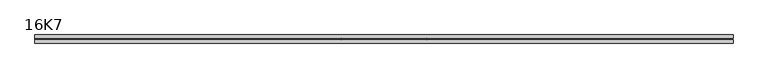
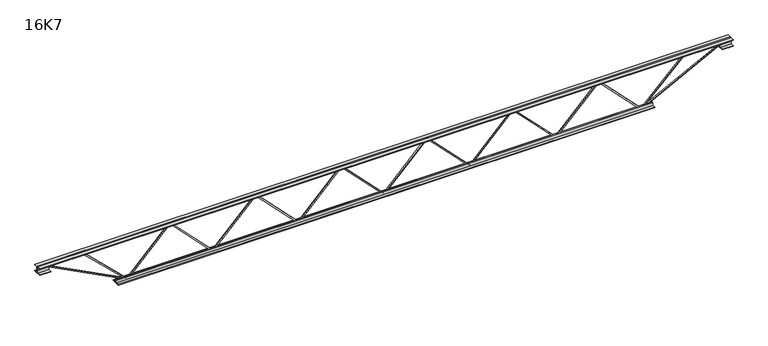
"""IFC4 building model written with IfcOpenShell, lengths in millimetres: beam geometry, 16K7."""

from ifc_helpers import new_model, si_unit, frame, origin, place, context, project, spatial, polyline, outline, extrude, source, transform, mapped, element, save


def beam_16k7_3e759f1d(model_context):
    return source(origin(), model_context, "Body", "SweptSolid", [
        extrude(outline(polyline([(-191.9, 777.3333333), (-201.4, 777.3333333), (-201.4, 782.5153638), (191.9, 1164.8320305), (191.9, 1167.1679695), (-201.4, 1549.4846362), (-201.4, 1554.6666667), (-191.9, 1554.6666667), (-191.9, 1553.4986972), (201.4, 1171.1820305), (201.4, 1160.8179695), (-191.9, 778.5013028), (-191.9, 777.3333333)])), frame((0.0, -4.75, 0.0), z_axis=(0.0, 1.0, 0.0), x_axis=(0.0, 0.0, 1.0)), (0.0, 0.0, 1.0), 9.5),
        extrude(outline(polyline([(-191.9, 0.0), (-201.4, 0.0), (-201.4, 5.1820305), (191.9, 387.4986972), (191.9, 389.8346362), (-201.4, 772.1513028), (-201.4, 777.3333333), (-191.9, 777.3333333), (-191.9, 776.1653638), (201.4, 393.8486972), (201.4, 383.4846362), (-191.9, 1.1679695), (-191.9, 0.0)])), frame((0.0, -4.75, 0.0), z_axis=(0.0, 1.0, 0.0), x_axis=(0.0, 0.0, 1.0)), (0.0, 0.0, 1.0), 9.5),
        extrude(outline(polyline([(-191.9, -777.3333333), (-201.4, -777.3333333), (-201.4, -772.1513028), (191.9, -389.8346362), (191.9, -387.4986972), (-201.4, -5.1820305), (-201.4, 0.0), (-191.9, 0.0), (-191.9, -1.1679695), (201.4, -383.4846362), (201.4, -393.8486972), (-191.9, -776.1653638), (-191.9, -777.3333333)])), frame((0.0, -4.75, 0.0), z_axis=(0.0, 1.0, 0.0), x_axis=(0.0, 0.0, 1.0)), (0.0, 0.0, 1.0), 9.5),
        extrude(outline(polyline([(-191.9, -1554.6666667), (-201.4, -1554.6666667), (-201.4, -1549.4846362), (191.9, -1167.1679695), (191.9, -1164.8320305), (-201.4, -782.5153638), (-201.4, -777.3333333), (-191.9, -777.3333333), (-191.9, -778.5013028), (201.4, -1160.8179695), (201.4, -1171.1820305), (-191.9, -1553.4986972), (-191.9, -1554.6666667)])), frame((0.0, -4.75, 0.0), z_axis=(0.0, 1.0, 0.0), x_axis=(0.0, 0.0, 1.0)), (0.0, 0.0, 1.0), 9.5),
        extrude(outline(polyline([(-191.9, 1554.6666667), (-201.4, 1554.6666667), (-201.4, 1559.8486972), (191.9, 1942.1653638), (191.9, 1944.5013028), (-201.4, 2326.8179695), (-201.4, 2332.0), (-191.9, 2332.0), (-191.9, 2330.8320305), (201.4, 1948.5153638), (201.4, 1938.1513028), (-191.9, 1555.8346362), (-191.9, 1554.6666667)])), frame((0.0, -4.75, 0.0), z_axis=(0.0, 1.0, 0.0), x_axis=(0.0, 0.0, 1.0)), (0.0, 0.0, 1.0), 9.5),
        extrude(outline(polyline([(-191.9, -2332.0), (-201.4, -2332.0), (-201.4, -2326.8179695), (191.9, -1944.5013028), (191.9, -1942.1653638), (-201.4, -1559.8486972), (-201.4, -1554.6666667), (-191.9, -1554.6666667), (-191.9, -1555.8346362), (201.4, -1938.1513028), (201.4, -1948.5153638), (-191.9, -2330.8320305), (-191.9, -2332.0)])), frame((0.0, -4.75, 0.0), z_axis=(0.0, 1.0, 0.0), x_axis=(0.0, 0.0, 1.0)), (0.0, 0.0, 1.0), 9.5),
        extrude(outline(polyline([(4.75, 203.0), (36.75, 203.0), (36.75, 196.5), (11.25, 196.5), (11.25, 171.0), (4.75, 171.0), (4.75, 203.0)])), frame((-3144.0, 0.0, 0.0), z_axis=(1.0, 0.0, 0.0), x_axis=(0.0, 1.0, 0.0)), (0.0, 0.0, 1.0), 6288.0),
        extrude(outline(polyline([(-4.75, 203.0), (-4.75, 171.0), (-11.25, 171.0), (-11.25, 196.5), (-36.75, 196.5), (-36.75, 203.0), (-4.75, 203.0)])), frame((-3144.0, 0.0, 0.0), z_axis=(1.0, 0.0, 0.0), x_axis=(0.0, 1.0, 0.0)), (0.0, 0.0, 1.0), 6288.0),
        extrude(outline(polyline([(-4.75, 139.5), (-36.75, 139.5), (-36.75, 146.0), (-11.25, 146.0), (-11.25, 171.0), (-4.75, 171.0), (-4.75, 139.5)])), frame((-3144.0, 0.0, 0.0), z_axis=(1.0, 0.0, 0.0), x_axis=(0.0, 1.0, 0.0)), (0.0, 0.0, 1.0), 100.0),
        extrude(outline(polyline([(36.75, 139.5), (4.75, 139.5), (4.75, 171.0), (11.25, 171.0), (11.25, 146.0), (36.75, 146.0), (36.75, 139.5)])), frame((-3144.0, 0.0, 0.0), z_axis=(1.0, 0.0, 0.0), x_axis=(0.0, 1.0, 0.0)), (0.0, 0.0, 1.0), 100.0),
        extrude(outline(polyline([(4.75, 139.5), (4.75, 171.0), (11.25, 171.0), (11.25, 146.0), (36.75, 146.0), (36.75, 139.5), (4.75, 139.5)])), frame((3044.0, 0.0, 0.0), z_axis=(1.0, 0.0, 0.0), x_axis=(0.0, 1.0, 0.0)), (0.0, 0.0, 1.0), 100.0),
        extrude(outline(polyline([(-4.75, 139.5), (-36.75, 139.5), (-36.75, 146.0), (-11.25, 146.0), (-11.25, 171.0), (-4.75, 171.0), (-4.75, 139.5)])), frame((3044.0, 0.0, 0.0), z_axis=(1.0, 0.0, 0.0), x_axis=(0.0, 1.0, 0.0)), (0.0, 0.0, 1.0), 100.0),
        extrude(outline(polyline([(4.75, -203.0), (4.75, -171.0), (11.25, -171.0), (11.25, -196.5), (36.75, -196.5), (36.75, -203.0), (4.75, -203.0)])), frame((-2432.0, 0.0, 0.0), z_axis=(1.0, 0.0, 0.0), x_axis=(0.0, 1.0, 0.0)), (0.0, 0.0, 1.0), 4864.0),
        extrude(outline(polyline([(-4.75, -203.0), (-36.75, -203.0), (-36.75, -196.5), (-11.25, -196.5), (-11.25, -171.0), (-4.75, -171.0), (-4.75, -203.0)])), frame((-2432.0, 0.0, 0.0), z_axis=(1.0, 0.0, 0.0), x_axis=(0.0, 1.0, 0.0)), (0.0, 0.0, 1.0), 4864.0),
        extrude(outline(polyline([(-200.8705467, -2334.1793315), (-192.4294533, -2329.8206685), (175.75, -3042.8460208), (175.75, -3144.0), (166.25, -3144.0), (166.25, -3045.1539792), (-200.8705467, -2334.1793315)])), frame((0.0, -4.75, 0.0), z_axis=(0.0, 1.0, 0.0), x_axis=(0.0, 0.0, 1.0)), (0.0, 0.0, 1.0), 9.5),
        extrude(outline(polyline([(188.7, -2740.6238095), (179.2, -2740.6238095), (179.2, -2729.8366436), (-200.0743717, -2335.2918351), (-193.2256283, -2328.7081649), (188.7, -2726.0109755), (188.7, -2740.6238095)])), frame((0.0, -4.75, 0.0), z_axis=(0.0, 1.0, 0.0), x_axis=(0.0, 0.0, 1.0)), (0.0, 0.0, 1.0), 9.5),
        extrude(outline(polyline([(0.0, -9.5), (0.0, 0.0), (801.3179909, 0.0), (801.3179909, -9.5), (0.0, -9.5)])), frame((3046.1793315, -4.75, 166.7794533), z_axis=(-0.45880662132449634, 0.0, 0.8885361468329808), x_axis=(-0.8885361468329808, 0.0, -0.45880662132449634)), (0.0, 0.0, 1.0), 9.5),
        extrude(outline(polyline([(0.0, -9.5), (0.0, 0.0), (563.2404197, 0.0), (563.2404197, -9.5), (0.0, -9.5)])), frame((2738.4977864, -4.75, 193.2498365), z_axis=(-0.6982808517590017, 0.0, 0.7158238973844916), x_axis=(-0.7158238973844916, 0.0, -0.6982808517590017)), (0.0, 0.0, 1.0), 9.5),
    ])


if __name__ == "__main__":
    model = new_model("IFC4")
    model_context = context("Model", 3, world=origin())
    ifc_project = project(units=[si_unit("LENGTHUNIT", "METRE", prefix="MILLI")], contexts=[model_context])
    site = spatial("IfcSite", under=ifc_project)
    building = spatial("IfcBuilding", under=site)
    placement = place(None, origin())
    beam_16k7_shape = beam_16k7_3e759f1d(model_context)
    element("IfcBeam", 1, ObjectType="16K7", at=placement, inside=building, context=model_context, shape_type="MappedRepresentation", body=[
        mapped(beam_16k7_shape, transform((0.0, 0.0, 0.0), x_axis=(1.0, 0.0, 0.0), y_axis=(0.0, 1.0, 0.0), z_axis=(0.0, 0.0, 1.0))),
    ])
    save(model, "model.ifc")
